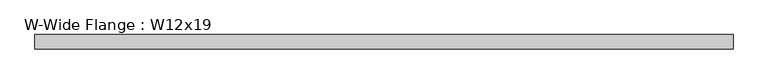
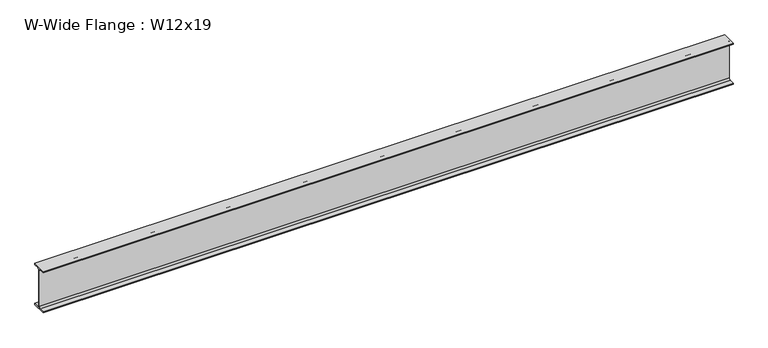
"""IFC4 building model written with IfcOpenShell, lengths in millimetres: beam geometry, W-Wide Flange : W12x19."""

from ifc_helpers import new_model, si_unit, point, frame, frame_2d, origin, place, context, project, spatial, polyline, circle_curve, trimmed, segment, composite_curve, outline, extrude, source, transform, mapped, element, save


def w_wide_flange_w12x19_54b85558(model_context):
    return source(origin(), model_context, "Body", "SweptSolid", [
        extrude(outline(composite_curve([segment(polyline([(50.927, -146.05), (50.927, -154.94), (-50.927, -154.94), (-50.927, -146.05), (-16.3195, -146.05)]), True, "CONTINUOUS"), segment(trimmed(circle_curve(frame_2d((-16.3195, -132.715)), 13.335), [point((-16.3195, -146.05))], [point((-2.9845, -132.715))], True, "CARTESIAN"), True, "CONTINUOUS"), segment(polyline([(-2.9845, -132.715), (-2.9845, 132.715)]), True, "CONTINUOUS"), segment(trimmed(circle_curve(frame_2d((-16.3195, 132.715)), 13.335), [point((-2.9845, 132.715))], [point((-16.3195, 146.05))], True, "CARTESIAN"), True, "CONTINUOUS"), segment(polyline([(-16.3195, 146.05), (-50.927, 146.05), (-50.927, 154.94), (50.927, 154.94), (50.927, 146.05), (16.3195, 146.05)]), True, "CONTINUOUS"), segment(trimmed(circle_curve(frame_2d((16.3195, 132.715)), 13.335), [point((16.3195, 146.05))], [point((2.9845, 132.715))], True, "CARTESIAN"), True, "CONTINUOUS"), segment(polyline([(2.9845, 132.715), (2.9845, -132.715)]), True, "CONTINUOUS"), segment(trimmed(circle_curve(frame_2d((16.3195, -132.715)), 13.335), [point((2.9845, -132.715))], [point((16.3195, -146.05))], True, "CARTESIAN"), True, "CONTINUOUS"), segment(polyline([(16.3195, -146.05), (50.927, -146.05)]), True, "CONTINUOUS")], self_intersect=False)), frame((-2471.674, 0.0, 0.0), z_axis=(1.0, 0.0, 0.0), x_axis=(0.0, 1.0, 0.0)), (0.0, 0.0, 1.0), 4898.263),
    ])


if __name__ == "__main__":
    model = new_model("IFC4")
    model_context = context("Model", 3, world=origin())
    ifc_project = project(units=[si_unit("LENGTHUNIT", "METRE", prefix="MILLI")], contexts=[model_context])
    site = spatial("IfcSite", under=ifc_project)
    building = spatial("IfcBuilding", under=site)
    placement = place(None, origin())
    w_wide_flange_w12x19_shape = w_wide_flange_w12x19_54b85558(model_context)
    element("IfcBeam", 1, ObjectType="W-Wide Flange : W12x19", at=placement, inside=building, context=model_context, shape_type="MappedRepresentation", body=[
        mapped(w_wide_flange_w12x19_shape, transform((0.0, 0.0, 0.0), x_axis=(1.0, 0.0, 0.0), y_axis=(0.0, 1.0, 0.0), z_axis=(0.0, 0.0, 1.0))),
    ])
    save(model, "model.ifc")
